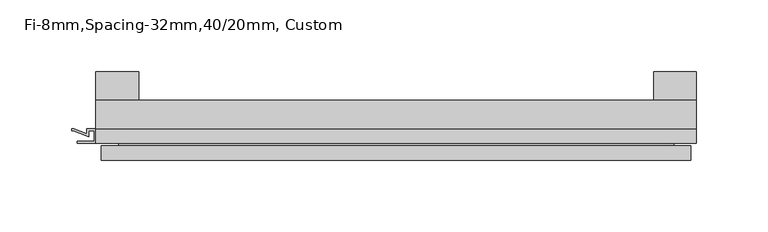
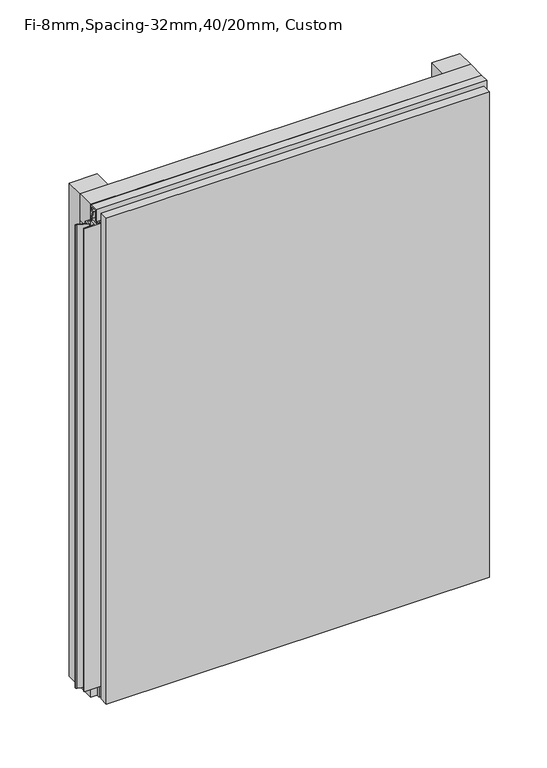
"""IFC4 building model written with IfcOpenShell, lengths in millimetres: plate geometry, Fi-8mm,Spacing-32mm,40/20mm, Custom."""

from ifc_helpers import new_model, si_unit, frame, origin, origin_with_axes, place, context, project, spatial, polyline, outline, extrude, faceted_brep, source, transform, mapped, element, save


def fi_8mm_spacing_32mm_40_20mm_custom_b19f28c5(model_context):
    return source(origin(), model_context, "Body", "SolidModel", [
        extrude(outline(polyline([(-210.0, -40.0), (-210.0, -20.0), (210.0, -20.0), (210.0, -40.0), (-210.0, -40.0)])), frame((0.0, 0.0, 530.0), z_axis=(0.0, 0.0, 1.0), x_axis=(1.0, 0.0, 0.0)), (0.0, 0.0, 1.0), 30.0),
        extrude(outline(polyline([(-210.0, -40.0), (-210.0, -20.0), (210.0, -20.0), (210.0, -40.0), (-210.0, -40.0)])), origin_with_axes(), (0.0, 0.0, 1.0), 30.0),
        extrude(outline(polyline([(180.0, 0.0), (210.0, 0.0), (210.0, -20.0), (180.0, -20.0), (180.0, 0.0)])), origin_with_axes(), (0.0, 0.0, 1.0), 560.0),
        extrude(outline(polyline([(-180.0, 0.0), (-180.0, -20.0), (-210.0, -20.0), (-210.0, 0.0), (-180.0, 0.0)])), origin_with_axes(), (0.0, 0.0, 1.0), 560.0),
        extrude(outline(polyline([(-40.0, 553.700916), (-43.5, 553.700916), (-40.0553267, 544.6441401), (-40.0553267, 537.008452), (-41.4553267, 537.008452), (-41.4553267, 544.4296606), (-45.5140545, 555.100916), (-41.4, 555.100916), (-41.4, 558.5843193), (-48.7, 558.5843193), (-48.7, 546.5843193), (-50.1, 546.5843193), (-50.1, 560.0), (-40.0, 560.0), (-40.0, 553.700916)])), frame((-210.0, 0.0, 0.0), z_axis=(1.0, 0.0, 0.0), x_axis=(0.0, 1.0, 0.0)), (0.0, 0.0, 1.0), 420.0),
        extrude(outline(polyline([(-210.899084, -48.7), (-210.899084, -41.4), (-214.899084, -41.4), (-214.899084, -45.5140545), (-225.5703394, -41.4553267), (-226.9558599, -41.4553267), (-226.9558599, -40.0553267), (-225.3558599, -40.0553267), (-216.299084, -43.5), (-216.299084, -40.0), (-203.700916, -40.0), (-203.700916, -43.5), (-194.6441401, -40.0553267), (-193.0441401, -40.0553267), (-193.0441401, -41.4553267), (-194.4296606, -41.4553267), (-205.100916, -45.5140545), (-205.100916, -41.4), (-209.100916, -41.4), (-209.100916, -48.7), (-197.100916, -48.7), (-197.100916, -50.1), (-222.899084, -50.1), (-222.899084, -48.7), (-210.899084, -48.7)])), frame((0.0, 0.0, 16.9558599), z_axis=(0.0, 0.0, 1.0), x_axis=(1.0, 0.0, 0.0)), (0.0, 0.0, 1.0), 526.0882802),
        faceted_brep([(206.0, -45.9, 556.0), (-206.0, -45.9, 556.0), (-206.0, -48.7, 556.0), (206.0, -48.7, 556.0), (-206.0, -61.9, 556.0), (206.0, -61.9, 556.0), (206.0, -51.9, 556.0), (-206.0, -51.9, 556.0), (-206.0, -45.9, 4.0), (206.0, -45.9, 4.0), (206.0, -48.7, 4.0), (-206.0, -48.7, 4.0), (206.0, -61.9, 4.0), (-206.0, -61.9, 4.0), (-206.0, -51.9, 4.0), (206.0, -51.9, 4.0), (194.0, -51.9, 544.0), (194.0, -51.9, 16.0), (194.0, -48.7, 16.0), (194.0, -48.7, 544.0), (-194.0, -51.9, 16.0), (-194.0, -48.7, 16.0), (-194.0, -51.9, 544.0), (-194.0, -48.7, 544.0)], [[[0, 1, 2, 3]], [[4, 5, 6, 7]], [[8, 9, 10, 11]], [[12, 13, 14, 15]], [[1, 0, 9, 8]], [[1, 8, 11, 2]], [[13, 4, 7, 14]], [[5, 4, 13, 12]], [[9, 0, 3, 10]], [[5, 12, 15, 6]], [[16, 17, 18, 19]], [[18, 17, 20, 21]], [[21, 20, 22, 23]], [[16, 19, 23, 22]], [[7, 6, 15, 14], [17, 16, 22, 20]], [[3, 2, 11, 10], [19, 18, 21, 23]]]),
    ])


if __name__ == "__main__":
    model = new_model("IFC4")
    model_context = context("Model", 3, world=origin())
    ifc_project = project(units=[si_unit("LENGTHUNIT", "METRE", prefix="MILLI")], contexts=[model_context])
    site = spatial("IfcSite", under=ifc_project)
    building = spatial("IfcBuilding", under=site)
    placement = place(None, origin())
    fi_8mm_spacing_32mm_40_20mm_custom_shape = fi_8mm_spacing_32mm_40_20mm_custom_b19f28c5(model_context)
    element("IfcPlate", 1, ObjectType="Fi-8mm,Spacing-32mm,40/20mm, Custom", at=placement, inside=building, context=model_context, shape_type="MappedRepresentation", body=[
        mapped(fi_8mm_spacing_32mm_40_20mm_custom_shape, transform((0.0, 0.0, 0.0), x_axis=(1.0, 0.0, 0.0), y_axis=(0.0, 1.0, 0.0), z_axis=(0.0, 0.0, 1.0))),
    ])
    save(model, "model.ifc")
